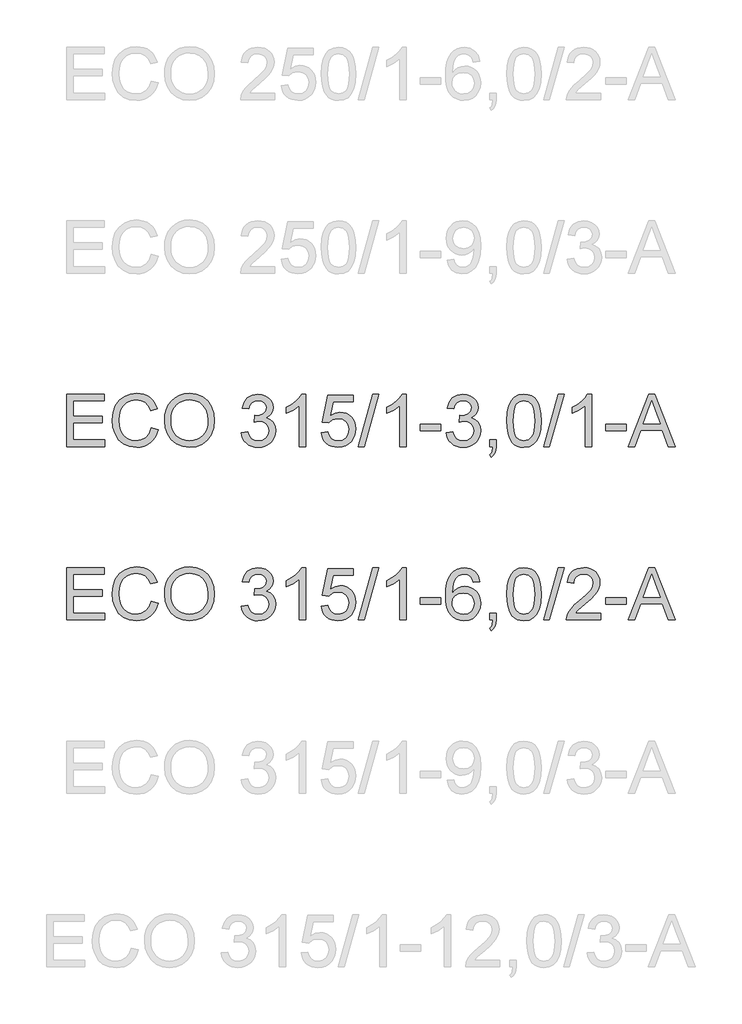
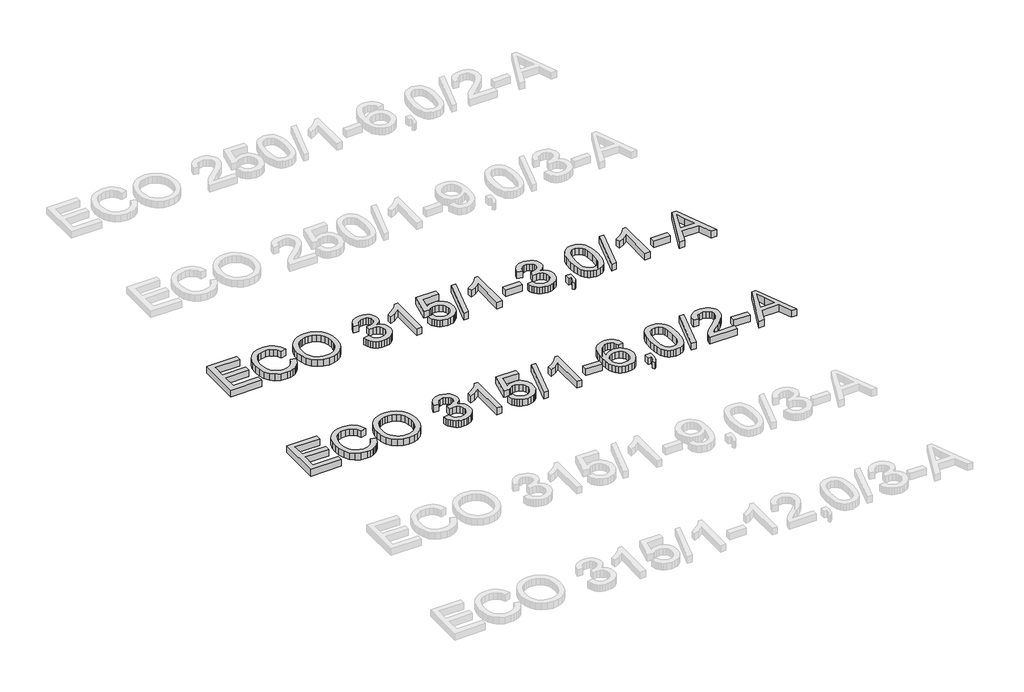
# One storey, part 29 of 74: 2 proxies.
"""IFC4 building model written with IfcOpenShell, lengths in millimetres."""

from ifc_helpers import new_model, si_unit, origin, origin_with_axes, place, context, project, spatial, polyline, outline, extrude, element, save

model = new_model("IFC4")

# Units and contexts
model_context = context("Model", 3, world=origin())
ifc_project = project(units=[si_unit("LENGTHUNIT", "METRE", prefix="MILLI")], contexts=[model_context])

# Site, building, storey
site = spatial("IfcSite", under=ifc_project)
building = spatial("IfcBuilding", under=site)
storey = spatial("IfcBuildingStorey", under=building, Elevation=0.0)

# Proxies
placement = place(None, origin())
element("IfcBuildingElementProxy", 1, Name="Generic Models", at=placement, inside=storey, context=model_context, shape_type="SweptSolid", body=[
    extrude(outline(polyline([(11765.719536, -13906.2904473), (11765.719536, -13604.9215169), (11982.3284547, -13604.9215169), (11982.3284547, -13642.5926332), (11803.3906523, -13642.5926332), (11803.3906523, -13732.0615344), (11972.9106757, -13732.0615344), (11972.9106757, -13769.7326507), (11803.3906523, -13769.7326507), (11803.3906523, -13868.619331), (11987.0373443, -13868.619331), (11987.0373443, -13906.2904473), (11765.719536, -13906.2904473)])), origin_with_axes(), (0.0, 0.0, 1.0), 50.0),
    extrude(outline(polyline([(12255.444048, -13799.1632103), (12293.1151643, -13808.875295), (12285.6609553, -13832.3024803), (12275.73274, -13852.7728141), (12263.3305182, -13870.2862963), (12248.4542901, -13884.842927), (12231.4397478, -13896.2863563), (12212.6225837, -13904.4602344), (12192.0027979, -13909.3645613), (12169.5803903, -13910.9993369), (12125.8852063, -13906.051324), (12091.1847371, -13891.2072855), (12064.5868689, -13866.9822562), (12045.1994877, -13833.8912707), (12033.3628845, -13794.9877497), (12029.4173501, -13753.3251137), (12033.8779193, -13709.3816094), (12047.2596269, -13671.4345816), (12068.8634971, -13640.6888439), (12097.990554, -13618.3492097), (12132.5346734, -13604.7467729), (12170.3897307, -13600.2126274), (12211.6936817, -13606.0803452), (12229.6624179, -13613.4149925), (12245.8423279, -13623.6834986), (12259.9666972, -13636.6145508), (12271.7688115, -13651.9368359), (12288.4062747, -13689.755105), (12250.7351584, -13698.7314257), (12237.6753476, -13671.2598377), (12219.8330708, -13652.4150825), (12196.9875989, -13641.5165784), (12168.9182027, -13637.8837437), (12136.5629812, -13641.9120515), (12109.9835071, -13653.996975), (12089.8143767, -13672.8693214), (12076.6901865, -13697.2598977), (12069.4888964, -13724.8326532), (12067.0884664, -13753.2515373), (12069.9303548, -13788.0531741), (12078.4560201, -13818.1459213), (12092.9873589, -13842.3801477), (12113.846268, -13859.6062222), (12138.8530466, -13869.897721), (12165.8279939, -13873.3282206), (12197.2727075, -13868.6561192), (12223.4751026, -13854.6398152), (12243.2579569, -13831.4264613), (12255.444048, -13799.1632103)])), origin_with_axes(), (0.0, 0.0, 1.0), 50.0),
    extrude(outline(polyline([(12330.7862806, -13759.5791077), (12333.2970752, -13724.2302465), (12340.829459, -13692.9372842), (12353.3834321, -13665.700221), (12370.9589944, -13642.5190568), (12392.5030838, -13624.0099939), (12416.9626379, -13610.7892347), (12444.3376569, -13602.8567792), (12474.6281407, -13600.2126274), (12514.1570611, -13605.1790343), (12549.6024913, -13620.0782551), (12579.0330509, -13643.8618261), (12600.5173594, -13675.4812836), (12613.6507467, -13713.4099173), (12618.0285424, -13756.1210169), (12613.4208204, -13799.4023336), (12599.5976544, -13837.8643962), (12577.3223996, -13869.539036), (12547.3584111, -13892.4580843), (12512.2164835, -13906.3640237), (12474.4074115, -13910.9993369), (12434.2714858, -13905.8765801), (12398.6237205, -13890.5083097), (12369.2667373, -13866.2832804), (12348.0031579, -13834.5902465), (12335.0904999, -13798.1239437), (12330.7862806, -13759.5791077)]), holes=[polyline([(12368.4573969, -13759.9469897), (12370.3404928, -13784.9215786), (12375.9897807, -13807.0910673), (12385.4052605, -13826.4554559), (12398.5869323, -13843.0147442), (12414.6104924, -13856.2768901), (12432.5516375, -13865.7498515), (12452.4103674, -13871.4336283), (12474.1866823, -13873.3282206), (12496.3354777, -13871.4152342), (12516.4287324, -13865.6762751), (12534.4664465, -13856.1113432), (12550.4486199, -13842.7204386), (12563.5337226, -13825.8116624), (12572.8802245, -13805.6931158), (12578.4881257, -13782.3647987), (12580.3574261, -13755.8267113), (12577.1568527, -13722.4782085), (12567.5551327, -13693.6546541), (12551.8005862, -13670.0826153), (12530.1415338, -13652.4886589), (12504.0127151, -13641.5349725), (12474.8488699, -13637.8837437), (12453.8290124, -13639.6426794), (12434.3266681, -13644.9194868), (12416.3418371, -13653.7141658), (12399.8745193, -13666.0267163), (12386.1295282, -13682.4503481), (12376.3116775, -13703.5782709), (12370.420967, -13729.4104848), (12368.4573969, -13759.9469897)])]), origin_with_axes(), (0.0, 0.0, 1.0), 50.0),
    extrude(outline(polyline([(12773.4218972, -13826.2393252), (12811.0930135, -13821.5304357), (12819.5267082, -13845.203642), (12831.8783462, -13861.1881147), (12848.7549327, -13870.2931941), (12870.7634731, -13873.3282206), (12896.5887892, -13869.1527599), (12916.5279933, -13856.626378), (12929.2751044, -13837.9379726), (12933.5241415, -13815.2764417), (12929.3118926, -13793.7645421), (12916.6751461, -13776.3177384), (12897.5452823, -13764.7570467), (12873.8536819, -13760.9034828), (12847.4397546, -13765.0237612), (12851.6336093, -13727.3526449), (12857.6668741, -13727.7941033), (12880.2364345, -13725.0901706), (12900.4147619, -13716.9783726), (12914.6517951, -13703.2563742), (12919.3974729, -13683.7218403), (12915.9577762, -13667.452259), (12905.6386862, -13654.2544924), (12889.8933368, -13645.508098), (12870.1748619, -13642.5926332), (12850.4195988, -13645.5356892), (12834.2695792, -13654.364857), (12822.4789612, -13669.0801369), (12815.801903, -13689.6815286), (12778.1307867, -13684.972639), (12789.2224289, -13651.1458896), (12808.9592979, -13625.8907906), (12835.9618363, -13610.1638353), (12868.8504867, -13604.9215169), (12892.5328902, -13607.5058879), (12914.2839131, -13615.259001), (12932.6228306, -13627.4910773), (12946.0689175, -13643.5123382), (12954.3186712, -13661.9708173), (12957.0685892, -13681.5145483), (12954.456627, -13699.724707), (12946.6207405, -13716.2426086), (12933.6712943, -13730.3140949), (12915.7186529, -13741.1850079), (12939.2998888, -13750.7131516), (12956.7742836, -13766.9367476), (12967.5900142, -13788.9728791), (12971.1952578, -13815.9386293), (12969.392636, -13835.050099), (12963.9847707, -13852.6532524), (12954.9716618, -13868.7480897), (12942.3533094, -13883.3346108), (12926.9804405, -13895.4379285), (12909.7037823, -13904.0831554), (12890.5233348, -13909.2702915), (12869.4390979, -13910.9993369), (12850.3828106, -13909.5232104), (12833.0187804, -13905.0948309), (12817.3470074, -13897.7141983), (12803.3674916, -13887.3813128), (12791.6458515, -13874.7031795), (12782.7477057, -13860.2868038), (12776.6730543, -13844.1321857), (12773.4218972, -13826.2393252)])), origin_with_axes(), (0.0, 0.0, 1.0), 50.0),
    extrude(outline(polyline([(13145.4241707, -13906.2904473), (13107.7530544, -13906.2904473), (13107.7530544, -13671.4345816), (13072.0685009, -13696.8552275), (13032.4108218, -13715.8747266), (13032.4108218, -13680.2637495), (13061.9977312, -13664.1689122), (13087.6299092, -13645.0206544), (13107.8358278, -13624.6583859), (13121.143959, -13604.9215169), (13145.4241707, -13604.9215169), (13145.4241707, -13906.2904473)])), origin_with_axes(), (0.0, 0.0, 1.0), 50.0),
    extrude(outline(polyline([(13234.8930719, -13826.2393252), (13272.5641882, -13821.5304357), (13279.4803697, -13844.1459813), (13291.5468992, -13860.3419861), (13308.7085942, -13870.081662), (13330.9102727, -13873.3282206), (13357.9128111, -13868.8124691), (13378.1463208, -13855.2652146), (13390.7830674, -13834.2499556), (13394.9953162, -13807.3301906), (13391.0497818, -13781.9831212), (13379.2131786, -13762.59574), (13359.3935361, -13750.2900873), (13331.4988839, -13746.188203), (13313.2243457, -13747.8252779), (13298.4262925, -13752.7365026), (13277.2730778, -13769.7326507), (13239.6019615, -13765.0237612), (13272.5641882, -13609.6304064), (13418.5397639, -13609.6304064), (13418.5397639, -13647.3015227), (13303.0248174, -13647.3015227), (13286.911586, -13730.2957008), (13313.822154, -13713.9617403), (13342.0203089, -13708.5170867), (13360.3661242, -13710.2047454), (13377.2174188, -13715.2677213), (13392.5741928, -13723.7060146), (13406.4364463, -13735.5196252), (13417.9120653, -13749.9865846), (13426.108936, -13766.3849246), (13431.0270584, -13784.714645), (13432.6664325, -13804.9757459), (13426.7619265, -13842.6468622), (13419.381294, -13859.4406753), (13409.0484084, -13874.873325), (13393.3950295, -13890.6784552), (13375.1296885, -13901.9678339), (13354.2523853, -13908.7414611), (13330.7631199, -13910.9993369), (13293.7633882, -13905.1959984), (13278.0847174, -13897.9418253), (13264.2868433, -13887.785983), (13252.8066258, -13875.2343092), (13244.0809247, -13860.7926416), (13234.8930719, -13826.2393252)])), origin_with_axes(), (0.0, 0.0, 1.0), 50.0),
    extrude(outline(polyline([(13446.7931011, -13906.2904473), (13531.5531128, -13604.9215169), (13565.5454092, -13604.9215169), (13480.7853975, -13906.2904473), (13446.7931011, -13906.2904473)])), origin_with_axes(), (0.0, 0.0, 1.0), 50.0),
    extrude(outline(polyline([(13724.6175839, -13906.2904473), (13686.9464676, -13906.2904473), (13686.9464676, -13671.4345816), (13651.2619141, -13696.8552275), (13611.604235, -13715.8747266), (13611.604235, -13680.2637495), (13641.1911444, -13664.1689122), (13666.8233225, -13645.0206544), (13687.029241, -13624.6583859), (13700.3373722, -13604.9215169), (13724.6175839, -13604.9215169), (13724.6175839, -13906.2904473)])), origin_with_axes(), (0.0, 0.0, 1.0), 50.0),
    extrude(outline(polyline([(13804.668706, -13816.8215461), (13804.668706, -13779.1504298), (13922.3909445, -13779.1504298), (13922.3909445, -13816.8215461), (13804.668706, -13816.8215461)])), origin_with_axes(), (0.0, 0.0, 1.0), 50.0),
    extrude(outline(polyline([(13955.3531713, -13826.2393252), (13993.0242876, -13821.5304357), (14001.4579823, -13845.203642), (14013.8096203, -13861.1881147), (14030.6862068, -13870.2931941), (14052.6947472, -13873.3282206), (14078.5200633, -13869.1527599), (14098.4592674, -13856.626378), (14111.2063785, -13837.9379726), (14115.4554156, -13815.2764417), (14111.2431667, -13793.7645421), (14098.6064202, -13776.3177384), (14079.4765564, -13764.7570467), (14055.784956, -13760.9034828), (14029.3710287, -13765.0237612), (14033.5648834, -13727.3526449), (14039.5981482, -13727.7941033), (14062.1677086, -13725.0901706), (14082.346036, -13716.9783726), (14096.5830692, -13703.2563742), (14101.328747, -13683.7218403), (14097.8890503, -13667.452259), (14087.5699603, -13654.2544924), (14071.8246109, -13645.508098), (14052.106136, -13642.5926332), (14032.3508729, -13645.5356892), (14016.2008533, -13654.364857), (14004.4102353, -13669.0801369), (13997.7331771, -13689.6815286), (13960.0620608, -13684.972639), (13971.153703, -13651.1458896), (13990.890572, -13625.8907906), (14017.8931105, -13610.1638353), (14050.7817608, -13604.9215169), (14074.4641643, -13607.5058879), (14096.2151872, -13615.259001), (14114.5541047, -13627.4910773), (14128.0001916, -13643.5123382), (14136.2499454, -13661.9708173), (14138.9998633, -13681.5145483), (14136.3879011, -13699.724707), (14128.5520146, -13716.2426086), (14115.6025684, -13730.3140949), (14097.649927, -13741.1850079), (14121.2311629, -13750.7131516), (14138.7055577, -13766.9367476), (14149.5212883, -13788.9728791), (14153.1265319, -13815.9386293), (14151.3239101, -13835.050099), (14145.9160448, -13852.6532524), (14136.9029359, -13868.7480897), (14124.2845835, -13883.3346108), (14108.9117146, -13895.4379285), (14091.6350564, -13904.0831554), (14072.4546089, -13909.2702915), (14051.370372, -13910.9993369), (14032.3140847, -13909.5232104), (14014.9500545, -13905.0948309), (13999.2782815, -13897.7141983), (13985.2987657, -13887.3813128), (13973.5771256, -13874.7031795), (13964.6789798, -13860.2868038), (13958.6043284, -13844.1321857), (13955.3531713, -13826.2393252)])), origin_with_axes(), (0.0, 0.0, 1.0), 50.0),
    extrude(outline(polyline([(14204.9243168, -13906.2904473), (14204.9243168, -13868.619331), (14242.5954331, -13868.619331), (14242.5954331, -13906.2904473), (14240.9031759, -13927.8391352), (14235.8264044, -13944.8076922), (14227.0708129, -13957.8215178), (14214.3420959, -13967.5060113), (14204.9243168, -13953.3793427), (14213.0912971, -13946.5551317), (14218.7566798, -13937.1189585), (14223.6862986, -13906.2904473), (14204.9243168, -13906.2904473)])), origin_with_axes(), (0.0, 0.0, 1.0), 50.0),
    extrude(outline(polyline([(14303.8109971, -13758.0340033), (14306.5793091, -13709.7954767), (14314.8842452, -13671.324217), (14328.6430318, -13642.0316132), (14347.7728955, -13621.3290539), (14372.4117922, -13609.0234011), (14402.6976774, -13604.9215169), (14425.9110313, -13607.3495381), (14446.696364, -13614.6336016), (14464.0787883, -13626.4885989), (14477.0834168, -13642.6294214), (14486.9058661, -13662.9181134), (14494.7417526, -13687.2167192), (14499.8737064, -13718.0728216), (14501.5843577, -13758.0340033), (14498.8436368, -13805.9966184), (14490.6214743, -13844.3759076), (14476.9454611, -13873.6961026), (14457.8431885, -13894.4814353), (14433.1491096, -13906.8698615), (14402.6976774, -13910.9993369), (14381.9491329, -13909.2059122), (14363.5550331, -13903.825638), (14347.5153781, -13894.8585143), (14333.8301679, -13882.3045413), (14320.6967807, -13859.6108207), (14311.3157898, -13831.3344908), (14305.6871953, -13797.4755517), (14303.8109971, -13758.0340033)]), holes=[polyline([(14341.4821134, -13757.9604269), (14345.8966974, -13817.2170193), (14351.4149273, -13837.4850179), (14359.1404492, -13851.5128183), (14378.8589241, -13867.87437), (14402.6976774, -13873.3282206), (14426.5364307, -13867.8559759), (14446.2549056, -13851.4392419), (14453.9804275, -13837.3884489), (14459.4986575, -13817.1250488), (14463.9132414, -13757.9604269), (14459.6458103, -13700.0374067), (14454.3115213, -13679.8360867), (14446.8435168, -13665.4748933), (14427.1618301, -13648.3131982), (14402.256219, -13642.5926332), (14378.6749831, -13647.6326165), (14359.7290604, -13662.7525665), (14351.7460211, -13678.3875513), (14346.0438501, -13699.4671897), (14341.4821134, -13757.9604269)])]), origin_with_axes(), (0.0, 0.0, 1.0), 50.0),
    extrude(outline(polyline([(14515.7110263, -13906.2904473), (14600.471038, -13604.9215169), (14634.4633344, -13604.9215169), (14549.7033227, -13906.2904473), (14515.7110263, -13906.2904473)])), origin_with_axes(), (0.0, 0.0, 1.0), 50.0),
    extrude(outline(polyline([(14793.5355091, -13906.2904473), (14755.8643928, -13906.2904473), (14755.8643928, -13671.4345816), (14720.1798392, -13696.8552275), (14680.5221602, -13715.8747266), (14680.5221602, -13680.2637495), (14710.1090696, -13664.1689122), (14735.7412476, -13645.0206544), (14755.9471662, -13624.6583859), (14769.2552974, -13604.9215169), (14793.5355091, -13604.9215169), (14793.5355091, -13906.2904473)])), origin_with_axes(), (0.0, 0.0, 1.0), 50.0),
    extrude(outline(polyline([(14873.5866312, -13816.8215461), (14873.5866312, -13779.1504298), (14991.3088697, -13779.1504298), (14991.3088697, -13816.8215461), (14873.5866312, -13816.8215461)])), origin_with_axes(), (0.0, 0.0, 1.0), 50.0),
    extrude(outline(polyline([(15003.3018227, -13906.2904473), (15123.5992352, -13604.9215169), (15155.6785451, -13604.9215169), (15275.9759576, -13906.2904473), (15236.1711257, -13906.2904473), (15201.6637945, -13812.1126566), (15077.5404094, -13812.1126566), (15043.1066546, -13906.2904473), (15003.3018227, -13906.2904473)]), holes=[polyline([(15091.3727724, -13774.4415403), (15187.9050079, -13774.4415403), (15160.7553167, -13700.3501064), (15139.6388901, -13642.5926332), (15120.8769084, -13693.8753833), (15091.3727724, -13774.4415403)])]), origin_with_axes(), (0.0, 0.0, 1.0), 50.0),
])
element("IfcBuildingElementProxy", 2, Name="Generic Models", at=placement, inside=storey, context=model_context, shape_type="SweptSolid", body=[
    extrude(outline(polyline([(11765.719536, -14906.2904473), (11765.719536, -14604.9215169), (11982.3284547, -14604.9215169), (11982.3284547, -14642.5926332), (11803.3906523, -14642.5926332), (11803.3906523, -14732.0615344), (11972.9106757, -14732.0615344), (11972.9106757, -14769.7326507), (11803.3906523, -14769.7326507), (11803.3906523, -14868.619331), (11987.0373443, -14868.619331), (11987.0373443, -14906.2904473), (11765.719536, -14906.2904473)])), origin_with_axes(), (0.0, 0.0, 1.0), 50.0),
    extrude(outline(polyline([(12255.444048, -14799.1632103), (12293.1151643, -14808.875295), (12285.6609553, -14832.3024803), (12275.73274, -14852.7728141), (12263.3305182, -14870.2862963), (12248.4542901, -14884.842927), (12231.4397478, -14896.2863563), (12212.6225837, -14904.4602344), (12192.0027979, -14909.3645613), (12169.5803903, -14910.9993369), (12125.8852063, -14906.051324), (12091.1847371, -14891.2072855), (12064.5868689, -14866.9822562), (12045.1994877, -14833.8912707), (12033.3628845, -14794.9877497), (12029.4173501, -14753.3251137), (12033.8779193, -14709.3816094), (12047.2596269, -14671.4345816), (12068.8634971, -14640.6888439), (12097.990554, -14618.3492097), (12132.5346734, -14604.7467729), (12170.3897307, -14600.2126274), (12211.6936817, -14606.0803452), (12229.6624179, -14613.4149925), (12245.8423279, -14623.6834986), (12259.9666972, -14636.6145508), (12271.7688115, -14651.9368359), (12288.4062747, -14689.755105), (12250.7351584, -14698.7314257), (12237.6753476, -14671.2598377), (12219.8330708, -14652.4150825), (12196.9875989, -14641.5165784), (12168.9182027, -14637.8837437), (12136.5629812, -14641.9120515), (12109.9835071, -14653.996975), (12089.8143767, -14672.8693214), (12076.6901865, -14697.2598977), (12069.4888964, -14724.8326532), (12067.0884664, -14753.2515373), (12069.9303548, -14788.0531741), (12078.4560201, -14818.1459213), (12092.9873589, -14842.3801477), (12113.846268, -14859.6062222), (12138.8530466, -14869.897721), (12165.8279939, -14873.3282206), (12197.2727075, -14868.6561192), (12223.4751026, -14854.6398152), (12243.2579569, -14831.4264613), (12255.444048, -14799.1632103)])), origin_with_axes(), (0.0, 0.0, 1.0), 50.0),
    extrude(outline(polyline([(12330.7862806, -14759.5791077), (12333.2970752, -14724.2302465), (12340.829459, -14692.9372842), (12353.3834321, -14665.700221), (12370.9589944, -14642.5190568), (12392.5030838, -14624.0099939), (12416.9626379, -14610.7892347), (12444.3376569, -14602.8567792), (12474.6281407, -14600.2126274), (12514.1570611, -14605.1790343), (12549.6024913, -14620.0782551), (12579.0330509, -14643.8618261), (12600.5173594, -14675.4812836), (12613.6507467, -14713.4099173), (12618.0285424, -14756.1210169), (12613.4208204, -14799.4023336), (12599.5976544, -14837.8643962), (12577.3223996, -14869.539036), (12547.3584111, -14892.4580843), (12512.2164835, -14906.3640237), (12474.4074115, -14910.9993369), (12434.2714858, -14905.8765801), (12398.6237205, -14890.5083097), (12369.2667373, -14866.2832804), (12348.0031579, -14834.5902465), (12335.0904999, -14798.1239437), (12330.7862806, -14759.5791077)]), holes=[polyline([(12368.4573969, -14759.9469897), (12370.3404928, -14784.9215786), (12375.9897807, -14807.0910673), (12385.4052605, -14826.4554559), (12398.5869323, -14843.0147442), (12414.6104924, -14856.2768901), (12432.5516375, -14865.7498515), (12452.4103674, -14871.4336283), (12474.1866823, -14873.3282206), (12496.3354777, -14871.4152342), (12516.4287324, -14865.6762751), (12534.4664465, -14856.1113432), (12550.4486199, -14842.7204386), (12563.5337226, -14825.8116624), (12572.8802245, -14805.6931158), (12578.4881257, -14782.3647987), (12580.3574261, -14755.8267113), (12577.1568527, -14722.4782085), (12567.5551327, -14693.6546541), (12551.8005862, -14670.0826153), (12530.1415338, -14652.4886589), (12504.0127151, -14641.5349725), (12474.8488699, -14637.8837437), (12453.8290124, -14639.6426794), (12434.3266681, -14644.9194868), (12416.3418371, -14653.7141658), (12399.8745193, -14666.0267163), (12386.1295282, -14682.4503481), (12376.3116775, -14703.5782709), (12370.420967, -14729.4104848), (12368.4573969, -14759.9469897)])]), origin_with_axes(), (0.0, 0.0, 1.0), 50.0),
    extrude(outline(polyline([(12773.4218972, -14826.2393252), (12811.0930135, -14821.5304357), (12819.5267082, -14845.203642), (12831.8783462, -14861.1881147), (12848.7549327, -14870.2931941), (12870.7634731, -14873.3282206), (12896.5887892, -14869.1527599), (12916.5279933, -14856.626378), (12929.2751044, -14837.9379726), (12933.5241415, -14815.2764417), (12929.3118926, -14793.7645421), (12916.6751461, -14776.3177384), (12897.5452823, -14764.7570467), (12873.8536819, -14760.9034828), (12847.4397546, -14765.0237612), (12851.6336093, -14727.3526449), (12857.6668741, -14727.7941033), (12880.2364345, -14725.0901706), (12900.4147619, -14716.9783726), (12914.6517951, -14703.2563742), (12919.3974729, -14683.7218403), (12915.9577762, -14667.452259), (12905.6386862, -14654.2544924), (12889.8933368, -14645.508098), (12870.1748619, -14642.5926332), (12850.4195988, -14645.5356892), (12834.2695792, -14654.364857), (12822.4789612, -14669.0801369), (12815.801903, -14689.6815286), (12778.1307867, -14684.972639), (12789.2224289, -14651.1458896), (12808.9592979, -14625.8907906), (12835.9618363, -14610.1638353), (12868.8504867, -14604.9215169), (12892.5328902, -14607.5058879), (12914.2839131, -14615.259001), (12932.6228306, -14627.4910773), (12946.0689175, -14643.5123382), (12954.3186712, -14661.9708173), (12957.0685892, -14681.5145483), (12954.456627, -14699.724707), (12946.6207405, -14716.2426086), (12933.6712943, -14730.3140949), (12915.7186529, -14741.1850079), (12939.2998888, -14750.7131516), (12956.7742836, -14766.9367476), (12967.5900142, -14788.9728791), (12971.1952578, -14815.9386293), (12969.392636, -14835.050099), (12963.9847707, -14852.6532524), (12954.9716618, -14868.7480897), (12942.3533094, -14883.3346108), (12926.9804405, -14895.4379285), (12909.7037823, -14904.0831554), (12890.5233348, -14909.2702915), (12869.4390979, -14910.9993369), (12850.3828106, -14909.5232104), (12833.0187804, -14905.0948309), (12817.3470074, -14897.7141983), (12803.3674916, -14887.3813128), (12791.6458515, -14874.7031795), (12782.7477057, -14860.2868038), (12776.6730543, -14844.1321857), (12773.4218972, -14826.2393252)])), origin_with_axes(), (0.0, 0.0, 1.0), 50.0),
    extrude(outline(polyline([(13145.4241707, -14906.2904473), (13107.7530544, -14906.2904473), (13107.7530544, -14671.4345816), (13072.0685009, -14696.8552275), (13032.4108218, -14715.8747266), (13032.4108218, -14680.2637495), (13061.9977312, -14664.1689122), (13087.6299092, -14645.0206544), (13107.8358278, -14624.6583859), (13121.143959, -14604.9215169), (13145.4241707, -14604.9215169), (13145.4241707, -14906.2904473)])), origin_with_axes(), (0.0, 0.0, 1.0), 50.0),
    extrude(outline(polyline([(13234.8930719, -14826.2393252), (13272.5641882, -14821.5304357), (13279.4803697, -14844.1459813), (13291.5468992, -14860.3419861), (13308.7085942, -14870.081662), (13330.9102727, -14873.3282206), (13357.9128111, -14868.8124691), (13378.1463208, -14855.2652146), (13390.7830674, -14834.2499556), (13394.9953162, -14807.3301906), (13391.0497818, -14781.9831212), (13379.2131786, -14762.59574), (13359.3935361, -14750.2900873), (13331.4988839, -14746.188203), (13313.2243457, -14747.8252779), (13298.4262925, -14752.7365026), (13277.2730778, -14769.7326507), (13239.6019615, -14765.0237612), (13272.5641882, -14609.6304064), (13418.5397639, -14609.6304064), (13418.5397639, -14647.3015227), (13303.0248174, -14647.3015227), (13286.911586, -14730.2957008), (13313.822154, -14713.9617403), (13342.0203089, -14708.5170867), (13360.3661242, -14710.2047454), (13377.2174188, -14715.2677213), (13392.5741928, -14723.7060146), (13406.4364463, -14735.5196252), (13417.9120653, -14749.9865846), (13426.108936, -14766.3849246), (13431.0270584, -14784.714645), (13432.6664325, -14804.9757459), (13426.7619265, -14842.6468622), (13419.381294, -14859.4406753), (13409.0484084, -14874.873325), (13393.3950295, -14890.6784552), (13375.1296885, -14901.9678339), (13354.2523853, -14908.7414611), (13330.7631199, -14910.9993369), (13293.7633882, -14905.1959984), (13278.0847174, -14897.9418253), (13264.2868433, -14887.785983), (13252.8066258, -14875.2343092), (13244.0809247, -14860.7926416), (13234.8930719, -14826.2393252)])), origin_with_axes(), (0.0, 0.0, 1.0), 50.0),
    extrude(outline(polyline([(13446.7931011, -14906.2904473), (13531.5531128, -14604.9215169), (13565.5454092, -14604.9215169), (13480.7853975, -14906.2904473), (13446.7931011, -14906.2904473)])), origin_with_axes(), (0.0, 0.0, 1.0), 50.0),
    extrude(outline(polyline([(13724.6175839, -14906.2904473), (13686.9464676, -14906.2904473), (13686.9464676, -14671.4345816), (13651.2619141, -14696.8552275), (13611.604235, -14715.8747266), (13611.604235, -14680.2637495), (13641.1911444, -14664.1689122), (13666.8233225, -14645.0206544), (13687.029241, -14624.6583859), (13700.3373722, -14604.9215169), (13724.6175839, -14604.9215169), (13724.6175839, -14906.2904473)])), origin_with_axes(), (0.0, 0.0, 1.0), 50.0),
    extrude(outline(polyline([(13804.668706, -14816.8215461), (13804.668706, -14779.1504298), (13922.3909445, -14779.1504298), (13922.3909445, -14816.8215461), (13804.668706, -14816.8215461)])), origin_with_axes(), (0.0, 0.0, 1.0), 50.0),
    extrude(outline(polyline([(14148.4176423, -14684.972639), (14110.746526, -14689.6815286), (14104.6764731, -14671.0115173), (14096.4727046, -14658.2644062), (14079.3845859, -14646.5105764), (14058.7280119, -14642.5926332), (14041.2168289, -14644.8735016), (14024.7357156, -14651.7161067), (14010.5814558, -14666.1278838), (13999.0207641, -14685.9659204), (13991.2124688, -14714.0261196), (13988.315398, -14753.1043845), (14003.426151, -14735.4736399), (14021.5351422, -14723.0484255), (14041.6306962, -14715.6815886), (14062.7011375, -14713.2259763), (14080.8009316, -14714.9044379), (14097.5027742, -14719.9398227), (14112.8066652, -14728.3321307), (14126.7126046, -14740.0813619), (14138.2686978, -14754.4885406), (14146.5230501, -14770.8546908), (14151.4756614, -14789.1798127), (14153.1265319, -14809.4639062), (14150.017929, -14836.4388535), (14140.6921204, -14861.4456321), (14125.9216583, -14882.6540292), (14106.4790949, -14898.2338316), (14083.2473469, -14907.8079606), (14057.1093311, -14910.9993369), (14034.6524346, -14908.8840154), (14014.3706403, -14902.538051), (13996.2639484, -14891.9614436), (13980.3323587, -14877.1541933), (13967.3438251, -14857.4909007), (13958.066301, -14832.3461663), (13952.4997865, -14801.7199902), (13950.6442817, -14765.6123724), (13952.7044209, -14725.1315573), (13958.8848384, -14690.5828395), (13969.1855343, -14661.9662188), (13983.6065085, -14639.2816952), (13999.2368948, -14624.2491172), (14017.3596816, -14613.5115615), (14037.9748689, -14607.069028), (14061.0824567, -14604.9215169), (14094.136654, -14610.2374117), (14120.6057635, -14626.1850962), (14139.1470161, -14651.5137716), (14148.4176423, -14684.972639)]), holes=[polyline([(13988.315398, -14808.875295), (13990.4950989, -14825.5679405), (13997.0342013, -14841.506428), (14007.1877444, -14855.2100323), (14020.210767, -14865.1980285), (14035.9285253, -14871.2956725), (14054.1662752, -14873.3282206), (14079.025901, -14869.1159717), (14098.569632, -14856.4792252), (14111.2339697, -14836.6135975), (14115.4554156, -14810.714705), (14111.289152, -14785.8550792), (14098.7903612, -14766.8999594), (14078.9155364, -14754.8978093), (14052.6211708, -14750.8970926), (14027.7983332, -14754.8978093), (14007.0405916, -14766.8999594), (13992.9966964, -14785.3952267), (13988.315398, -14808.875295)])]), origin_with_axes(), (0.0, 0.0, 1.0), 50.0),
    extrude(outline(polyline([(14204.9243168, -14906.2904473), (14204.9243168, -14868.619331), (14242.5954331, -14868.619331), (14242.5954331, -14906.2904473), (14240.9031759, -14927.8391352), (14235.8264044, -14944.8076922), (14227.0708129, -14957.8215178), (14214.3420959, -14967.5060113), (14204.9243168, -14953.3793427), (14213.0912971, -14946.5551317), (14218.7566798, -14937.1189585), (14223.6862986, -14906.2904473), (14204.9243168, -14906.2904473)])), origin_with_axes(), (0.0, 0.0, 1.0), 50.0),
    extrude(outline(polyline([(14303.8109971, -14758.0340033), (14306.5793091, -14709.7954767), (14314.8842452, -14671.324217), (14328.6430318, -14642.0316132), (14347.7728955, -14621.3290539), (14372.4117922, -14609.0234011), (14402.6976774, -14604.9215169), (14425.9110313, -14607.3495381), (14446.696364, -14614.6336016), (14464.0787883, -14626.4885989), (14477.0834168, -14642.6294214), (14486.9058661, -14662.9181134), (14494.7417526, -14687.2167192), (14499.8737064, -14718.0728216), (14501.5843577, -14758.0340033), (14498.8436368, -14805.9966184), (14490.6214743, -14844.3759076), (14476.9454611, -14873.6961026), (14457.8431885, -14894.4814353), (14433.1491096, -14906.8698615), (14402.6976774, -14910.9993369), (14381.9491329, -14909.2059122), (14363.5550331, -14903.825638), (14347.5153781, -14894.8585143), (14333.8301679, -14882.3045413), (14320.6967807, -14859.6108207), (14311.3157898, -14831.3344908), (14305.6871953, -14797.4755517), (14303.8109971, -14758.0340033)]), holes=[polyline([(14341.4821134, -14757.9604269), (14345.8966974, -14817.2170193), (14351.4149273, -14837.4850179), (14359.1404492, -14851.5128183), (14378.8589241, -14867.87437), (14402.6976774, -14873.3282206), (14426.5364307, -14867.8559759), (14446.2549056, -14851.4392419), (14453.9804275, -14837.3884489), (14459.4986575, -14817.1250488), (14463.9132414, -14757.9604269), (14459.6458103, -14700.0374067), (14454.3115213, -14679.8360867), (14446.8435168, -14665.4748933), (14427.1618301, -14648.3131982), (14402.256219, -14642.5926332), (14378.6749831, -14647.6326165), (14359.7290604, -14662.7525665), (14351.7460211, -14678.3875513), (14346.0438501, -14699.4671897), (14341.4821134, -14757.9604269)])]), origin_with_axes(), (0.0, 0.0, 1.0), 50.0),
    extrude(outline(polyline([(14515.7110263, -14906.2904473), (14600.471038, -14604.9215169), (14634.4633344, -14604.9215169), (14549.7033227, -14906.2904473), (14515.7110263, -14906.2904473)])), origin_with_axes(), (0.0, 0.0, 1.0), 50.0),
    extrude(outline(polyline([(14845.333294, -14868.619331), (14845.333294, -14906.2904473), (14647.5599334, -14906.2904473), (14651.6066353, -14880.3179785), (14660.8956557, -14860.0200894), (14674.4888954, -14840.3292056), (14694.1521881, -14819.7186168), (14721.6513672, -14796.6616128), (14762.3023277, -14760.553995), (14786.692904, -14733.9009444), (14798.8881921, -14712.2694831), (14802.9532882, -14691.226633), (14799.1181184, -14672.3634837), (14787.612609, -14656.6825136), (14769.926682, -14646.1151033), (14747.5502597, -14642.5926332), (14724.0517972, -14646.0323299), (14705.7956532, -14656.3514198), (14694.0142323, -14672.7405627), (14689.9399392, -14694.3904181), (14652.2688229, -14689.6815286), (14661.4014935, -14653.242817), (14669.9478521, -14638.7068796), (14681.1475596, -14626.6265546), (14694.7430985, -14617.1306006), (14710.4769516, -14610.3477763), (14748.3596001, -14604.9215169), (14768.5494238, -14606.4298331), (14786.51816, -14610.9547816), (14802.2658087, -14618.4963625), (14815.7923698, -14629.0545758), (14826.656385, -14641.8476722), (14834.4163958, -14656.0939024), (14839.0724023, -14671.7932666), (14840.6244045, -14688.9457646), (14838.9505414, -14706.9627853), (14833.9289522, -14724.6671063), (14825.0170108, -14742.67493), (14811.6720914, -14761.6024586), (14790.3993151, -14784.1996102), (14757.7038028, -14813.2163026), (14714.3673037, -14849.4526791), (14697.3711555, -14868.619331), (14845.333294, -14868.619331)])), origin_with_axes(), (0.0, 0.0, 1.0), 50.0),
    extrude(outline(polyline([(14873.5866312, -14816.8215461), (14873.5866312, -14779.1504298), (14991.3088697, -14779.1504298), (14991.3088697, -14816.8215461), (14873.5866312, -14816.8215461)])), origin_with_axes(), (0.0, 0.0, 1.0), 50.0),
    extrude(outline(polyline([(15003.3018227, -14906.2904473), (15123.5992352, -14604.9215169), (15155.6785451, -14604.9215169), (15275.9759576, -14906.2904473), (15236.1711257, -14906.2904473), (15201.6637945, -14812.1126566), (15077.5404094, -14812.1126566), (15043.1066546, -14906.2904473), (15003.3018227, -14906.2904473)]), holes=[polyline([(15091.3727724, -14774.4415403), (15187.9050079, -14774.4415403), (15160.7553167, -14700.3501064), (15139.6388901, -14642.5926332), (15120.8769084, -14693.8753833), (15091.3727724, -14774.4415403)])]), origin_with_axes(), (0.0, 0.0, 1.0), 50.0),
])

save(model, "model.ifc")
